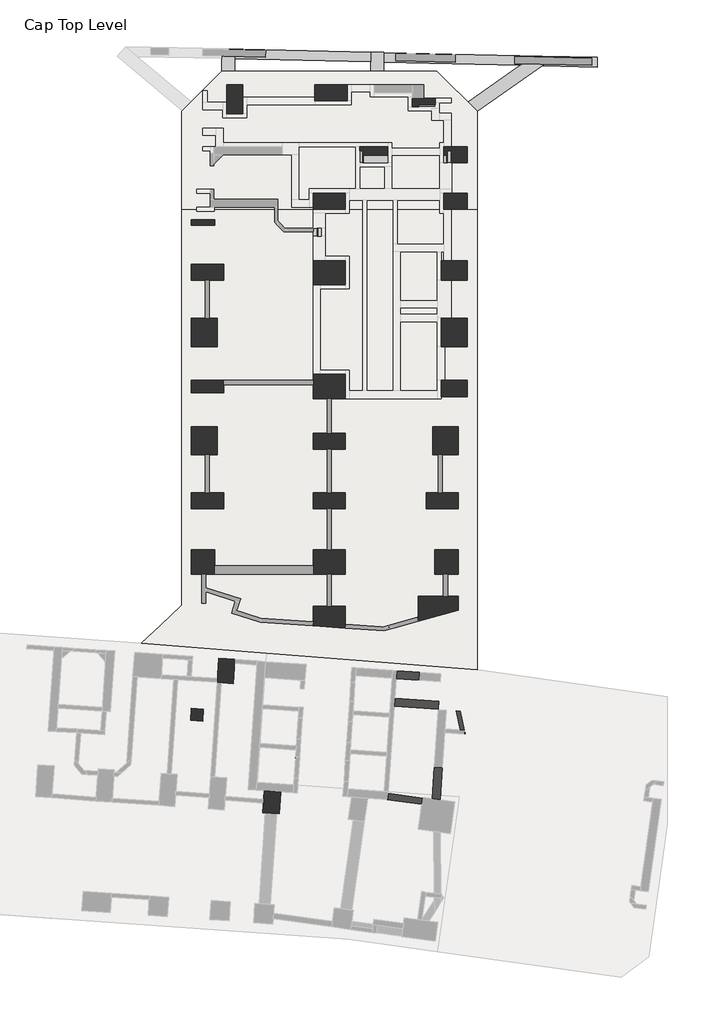
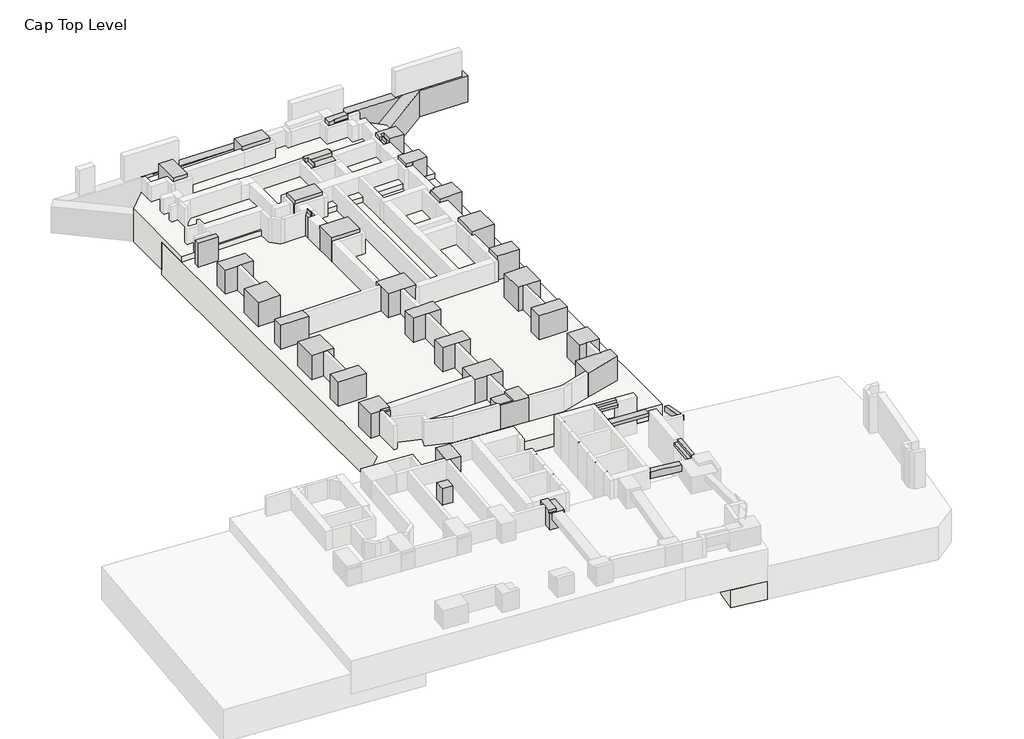
# One storey, part 5 of 5: 31 columns, 11 beams, 10 proxies, 3 slabs.
"""IFC4 building model written with IfcOpenShell, lengths in millimetres."""

from ifc_helpers import new_model, si_unit, frame, origin, place, context, project, spatial, polyline, outline, extrude, faceted_brep, element, save

model = new_model("IFC4")

# Units and contexts
model_context = context("Model", 3, world=origin())
ifc_project = project(units=[si_unit("LENGTHUNIT", "METRE", prefix="MILLI")], contexts=[model_context])

# Site, building, storey
site = spatial("IfcSite", under=ifc_project)
building = spatial("IfcBuilding", under=site)
storey = spatial("IfcBuildingStorey", under=building, Name="Cap Top Level", Elevation=2650.0)

# Beams
placement = place(None, origin())
element("IfcBeam", 1, ObjectType="HD_Concrete - Rectangular Beam V04 TOS83 : B2000X600", at=placement, inside=storey, context=model_context, shape_type="SweptSolid", body=[
    extrude(outline(polyline([(-60567.6663142, 110191.8030919), (-60567.6663142, 110764.5283087), (-61363.8639346, 110783.7826847), (-61363.2715425, 110809.9607281), (-52152.6663145, 110601.5307133), (-52152.6663144, 110001.3771067), (-60567.6663142, 110191.8030919)])), frame((0.0, 0.0, 150.0), z_axis=(0.0, 0.0, 1.0), x_axis=(1.0, 0.0, 0.0)), (0.0, 0.0, 1.0), 2000.0),
])
element("IfcBeam", 2, ObjectType="HD_Concrete - Rectangular Beam V04 TOS83 : B2000X600", at=placement, inside=storey, context=model_context, shape_type="SweptSolid", body=[
    extrude(outline(polyline([(-51352.6663145, 110573.6466209), (-41541.9161015, 110351.6357148), (-41542.9837453, 110304.4561083), (-42142.7147975, 110318.9593508), (-42908.9774463, 109782.4178186), (-51352.6663144, 109973.4930143), (-51352.6663145, 110573.6466209)])), frame((0.0, 0.0, 150.0), z_axis=(0.0, 0.0, 1.0), x_axis=(1.0, 0.0, 0.0)), (0.0, 0.0, 1.0), 2000.0),
])
element("IfcBeam", 3, ObjectType="HD_Concrete - Rectangular Beam V04 TOS83 : B2000X600", at=placement, inside=storey, context=model_context, shape_type="Brep", body=[
    faceted_brep([(-38146.0202795, 109674.6351911, 2150.0), (-38146.0202795, 109674.6351911, 150.0), (-38132.4461443, 110274.4816238, 150.0), (-38132.4461443, 110274.4816238, 2150.0), (-41541.9161015, 110351.6357148, 2150.0), (-41542.9837453, 110304.4561083, 2150.0), (-40794.5175095, 110286.3560161, 2150.0), (-41555.4504752, 109753.5463588, 2150.0), (-41557.8825326, 109751.8434181, 2150.0), (-41541.9161015, 110351.6357148, 150.0), (-41557.8825326, 109751.8434181, 150.0), (-41555.4504752, 109753.5463588, 150.0), (-40794.5175095, 110286.3560161, 150.0), (-41542.9837453, 110304.4561083, 150.0)], [[[0, 1, 2, 3]], [[0, 3, 4, 5, 6, 7, 8]], [[3, 2, 9, 4]], [[2, 1, 10, 11, 12, 13, 9]], [[1, 0, 8, 10]], [[6, 12, 11, 10, 8, 7]], [[12, 6, 5, 13]], [[5, 4, 9, 13]]]),
])
element("IfcBeam", 4, ObjectType="HD_Concrete - Rectangular Beam V04 TOS83 : B2000X800", at=placement, inside=storey, context=model_context, shape_type="Brep", body=[
    faceted_brep([(-51352.6663145, 110583.4272328, 2150.0), (-52152.6663145, 110601.5307133, 2150.0), (-52152.6663144, 110001.3771067, 2150.0), (-52152.6663144, 109430.2794588, 2150.0), (-51352.6663144, 109430.2794584, 2150.0), (-51352.6663144, 109973.4930143, 2150.0), (-51352.6663145, 110573.6466209, 2150.0), (-51352.6663145, 110583.4272328, 150.0), (-51352.6663144, 109430.2794584, 150.0), (-51352.6663144, 109973.4930143, 150.0), (-51352.6663145, 110573.6466209, 150.0), (-52152.6663145, 110601.5307133, 150.0), (-52152.6663144, 109430.2794588, 150.0), (-52152.6663144, 110001.3771067, 150.0)], [[[0, 1, 2, 3, 4, 5, 6]], [[7, 0, 6, 5, 4, 8, 9, 10]], [[11, 7, 10, 9, 8, 12, 13]], [[1, 11, 13, 12, 3, 2]], [[1, 0, 7, 11]], [[4, 3, 12, 8]]]),
])
element("IfcBeam", 5, ObjectType="HD_Concrete - Rectangular Beam V04 TOS83 : B2000X800", at=placement, inside=storey, context=model_context, shape_type="Brep", body=[
    faceted_brep([(-61367.6663141, 108875.2799235, 2150.0), (-61367.6663141, 108875.2799235, 150.0), (-60567.6663141, 108875.2799236, 150.0), (-60567.6663141, 108875.2799236, 2150.0), (-60567.6663142, 110191.8030919, 2150.0), (-60567.6663142, 110764.5283087, 2150.0), (-60961.4878678, 110774.0520602, 2150.0), (-61363.8639346, 110783.7826847, 2150.0), (-61367.6663142, 110783.8746373, 2150.0), (-61367.6663142, 110209.9989952, 2150.0), (-60567.6663142, 110191.8030919, 150.0), (-60567.6663142, 110764.5283087, 150.0), (-61367.6663142, 110209.9989952, 150.0), (-61367.6663142, 110783.8746373, 150.0), (-61363.8639346, 110783.7826847, 150.0), (-60961.4878678, 110774.0520602, 150.0)], [[[0, 1, 2, 3]], [[0, 3, 4, 5, 6, 7, 8, 9]], [[3, 2, 10, 11, 5, 4]], [[2, 1, 12, 13, 14, 15, 11, 10]], [[1, 0, 9, 8, 13, 12]], [[8, 7, 6, 5, 11, 15, 14, 13]]]),
])
element("IfcBeam", 6, ObjectType="HD_Concrete - Rectangular Beam V04 TOS83 : B2000X800", at=placement, inside=storey, context=model_context, shape_type="Brep", body=[
    faceted_brep([(-40794.5175095, 110286.3560161, 2150.0), (-41542.9837453, 110304.4561083, 2150.0), (-42142.7147975, 110318.9593508, 2150.0), (-42908.9774463, 109782.4178186, 2150.0), (-46162.0114617, 107504.6246135, 2150.0), (-45587.5993074, 106930.2124593, 2150.0), (-41557.8825326, 109751.8434181, 2150.0), (-40794.5175095, 110286.3560161, 150.0), (-45587.5993074, 106930.2124593, 150.0), (-41557.8825326, 109751.8434181, 150.0), (-42142.7147975, 110318.9593508, 150.0), (-41542.9837453, 110304.4561083, 150.0), (-46162.0114617, 107504.6246135, 150.0), (-42908.9774463, 109782.4178186, 150.0)], [[[0, 1, 2, 3, 4, 5, 6]], [[7, 0, 6, 5, 8, 9]], [[10, 11, 7, 9, 8, 12, 13]], [[2, 10, 13, 12, 4, 3]], [[2, 1, 0, 7, 11, 10]], [[5, 4, 12, 8]]]),
])
element("IfcBeam", 7, ObjectType="HD_Concrete - Rectangular Beam V04 TOS83 : B400X250", at=placement, inside=storey, context=model_context, shape_type="Brep", body=[
    faceted_brep([(-46632.1912853, 68663.7235065, 4090.0), (-46372.4390806, 68645.559862, 4090.0), (-46626.3239058, 69816.1214112, 4090.0), (-46886.0761105, 69834.2850552, 4090.0), (-46626.3239058, 69816.1214112, 3690.0), (-46372.4390806, 68645.559862, 3690.0), (-46632.1912853, 68663.7235065, 3690.0), (-46886.0761105, 69834.2850552, 3690.0)], [[[0, 1, 2, 3]], [[4, 2, 1, 5]], [[5, 6, 7, 4]], [[6, 0, 3, 7]], [[1, 0, 6, 5]], [[3, 2, 4, 7]]]),
    faceted_brep([(-46365.7039751, 68415.3822949, 4090.0), (-46355.174554, 68565.960024, 4090.0), (-46355.174554, 68565.960024, 3690.0), (-46365.7039751, 68415.3822949, 3690.0), (-46324.4559154, 68424.3286476, 3690.0), (-46324.4559154, 68424.3286476, 3890.0), (-46338.1489452, 68421.3587461, 3890.0), (-46338.1489452, 68421.3587461, 4090.0), (-46332.5116298, 68461.4703298, 3890.0), (-46332.5116298, 68461.4703298, 4090.0)], [[[0, 1, 2, 3]], [[3, 4, 5, 6, 7, 0]], [[8, 6, 5]], [[6, 8, 9, 7]], [[1, 0, 7, 9]], [[4, 2, 1, 9, 8, 5]], [[3, 2, 4]]]),
])
element("IfcBeam", 8, ObjectType="HD_Concrete - Rectangular Beam V04 TOS83 : B400X500", at=placement, inside=storey, context=model_context, shape_type="Brep", body=[
    faceted_brep([(-50565.3106934, 72321.9952711, 4090.0), (-50582.7498118, 72072.6042585, 4090.0), (-49136.2820541, 71971.4556603, 4090.0), (-49118.8429353, 72220.8466728, 4090.0), (-50600.1889302, 71823.2132459, 3890.0), (-50600.1889302, 71823.2132459, 3690.0), (-49153.7211729, 71722.0646477, 3690.0), (-49153.7211729, 71722.0646477, 3890.0), (-50565.3106934, 72321.9952711, 3690.0), (-49118.8429353, 72220.8466728, 3690.0), (-50582.7498118, 72072.6042585, 3890.0), (-49136.2820541, 71971.4556603, 3890.0)], [[[0, 1, 2, 3]], [[4, 5, 6, 7]], [[5, 8, 9, 6]], [[8, 0, 3, 9]], [[8, 5, 4, 10, 1, 0]], [[10, 4, 7, 11]], [[1, 10, 11, 2]], [[3, 2, 11, 7, 6, 9]]]),
])
element("IfcBeam", 9, ObjectType="HD_Concrete - Rectangular Beam V04 TOS83 : B400X500", at=placement, inside=storey, context=model_context, shape_type="SweptSolid", body=[
    extrude(outline(polyline([(-50719.4724999, 70117.3787222), (-50684.5942631, 70616.1607473), (-47951.2689894, 70425.024776), (-47986.147227, 69926.2427509), (-50719.4724999, 70117.3787222)])), frame((0.0, 0.0, 3690.0), z_axis=(0.0, 0.0, 1.0), x_axis=(1.0, 0.0, 0.0)), (0.0, 0.0, 1.0), 200.0),
])
element("IfcBeam", 10, ObjectType="HD_Concrete - Rectangular Beam V04 TOS83 : B400X500", at=placement, inside=storey, context=model_context, shape_type="Brep", body=[
    faceted_brep([(-47875.4903609, 64340.9499741, 4090.0), (-47736.7443659, 66325.0764163, 4090.0), (-47986.1353785, 66342.5155348, 4090.0), (-48123.661891, 64375.828208, 4090.0), (-48235.526391, 66359.9546533, 3690.0), (-48371.8334211, 64410.706442, 3690.0), (-48371.8334211, 64410.706442, 3890.0), (-48235.526391, 66359.9546533, 3890.0), (-47875.4903609, 64340.9499741, 3690.0), (-47736.7443659, 66325.0764163, 3690.0), (-48123.661891, 64375.828208, 3890.0), (-47986.1353785, 66342.5155348, 3890.0)], [[[0, 1, 2, 3]], [[4, 5, 6, 7]], [[8, 5, 4, 9]], [[0, 8, 9, 1]], [[5, 8, 0, 3, 10, 6]], [[9, 4, 7, 11, 2, 1]], [[10, 11, 7, 6]], [[11, 10, 3, 2]]]),
])
element("IfcBeam", 11, ObjectType="HD_Concrete - Rectangular Beam V04 TOS83 : B700X400", at=placement, inside=storey, context=model_context, shape_type="Brep", body=[
    faceted_brep([(-48942.1866057, 64442.8934969, 3390.0), (-51095.1131188, 64745.4675856, 3390.0), (-51095.1131188, 64745.4675856, 3890.0), (-48942.1866057, 64442.8934969, 3890.0), (-51123.0136894, 64346.4708368, 3390.0), (-48997.855846, 64046.7862694, 3390.0), (-49542.5032876, 64123.3314753, 3390.0), (-50235.6909358, 64220.7526458, 3390.0), (-51137.3608498, 64347.4740879, 3390.0), (-48997.855846, 64046.7862694, 3890.0), (-49542.5032876, 64123.3314753, 3890.0), (-50235.6909358, 64220.7526458, 3890.0), (-51137.3608498, 64347.4740879, 3890.0), (-51123.0136894, 64346.4708368, 3890.0)], [[[0, 1, 2, 3]], [[4, 1, 0, 5, 6, 7, 8]], [[8, 7, 6, 5, 9, 10, 11, 12]], [[5, 0, 3, 9]], [[1, 4, 13, 2]], [[4, 8, 12, 13]], [[3, 2, 13, 12, 11, 10, 9]]]),
])

# Proxies
element("IfcBuildingElementProxy", 12, Name="HD_Concrete-Trapezoid Wall TOS51v0", ObjectType="HD_Concrete-Trapezoid Wall TOS51v0", at=placement, inside=storey, context=model_context, shape_type="SweptSolid", body=[
    extrude(outline(polyline([(-56453.5095695, 69327.9287994), (-56653.0223796, 69341.8800937), (-56649.534556, 69391.7582963), (-56400.1435434, 69374.3191783), (-56453.5095695, 69327.9287994)])), frame((0.0, 0.0, 1300.0), z_axis=(0.0, 0.0, 1.0), x_axis=(1.0, 0.0, 0.0)), (0.0, 0.0, 1.0), 2790.0),
])
element("IfcBuildingElementProxy", 13, Name="HD_Concrete-Trapezoid Wall TOS51v0", ObjectType="HD_Concrete-Trapezoid Wall TOS51v0", at=placement, inside=storey, context=model_context, shape_type="SweptSolid", body=[
    extrude(outline(polyline([(-56621.9677423, 66918.8112811), (-56821.4805524, 66932.7625755), (-56817.9927288, 66982.640778), (-56568.6017162, 66965.20166), (-56621.9677423, 66918.8112811)])), frame((0.0, 0.0, 1300.0), z_axis=(0.0, 0.0, 1.0), x_axis=(1.0, 0.0, 0.0)), (0.0, 0.0, 1.0), 2790.0),
])
element("IfcBuildingElementProxy", 14, Name="HD_Concrete-Trapezoid Wall TOS51v0", ObjectType="HD_Concrete-Trapezoid Wall TOS51v0", at=placement, inside=storey, context=model_context, shape_type="SweptSolid", body=[
    extrude(outline(polyline([(-56705.6792184, 65721.7345424), (-56659.2888396, 65668.3685162), (-56908.6798522, 65685.8076348), (-56905.1920284, 65735.6858373), (-56705.6792184, 65721.7345424)])), frame((0.0, 0.0, 1300.0), z_axis=(0.0, 0.0, 1.0), x_axis=(1.0, 0.0, 0.0)), (0.0, 0.0, 1.0), 2790.0),
])
element("IfcBuildingElementProxy", 15, Name="HD_Concrete-Trapezoid Wall TOS51v0", ObjectType="HD_Concrete-Trapezoid Wall TOS51v0", at=placement, inside=storey, context=model_context, shape_type="SweptSolid", body=[
    extrude(outline(polyline([(-56537.2117723, 68130.8781288), (-56490.8213936, 68077.5121025), (-56740.2124061, 68094.9512212), (-56736.7245824, 68144.8294237), (-56537.2117723, 68130.8781288)])), frame((0.0, 0.0, 1300.0), z_axis=(0.0, 0.0, 1.0), x_axis=(1.0, 0.0, 0.0)), (0.0, 0.0, 1.0), 2790.0),
])
element("IfcBuildingElementProxy", 16, Name="HD_Concrete-Trapezoid Wall TOS51v0", ObjectType="HD_Concrete-Trapezoid Wall TOS51v0", at=placement, inside=storey, context=model_context, shape_type="SweptSolid", body=[
    extrude(outline(polyline([(-53510.6956226, 69122.147202), (-53557.0860013, 69175.5132283), (-53307.6949888, 69158.0741094), (-53311.1828126, 69108.1959069), (-53510.6956226, 69122.147202)])), frame((0.0, 0.0, 1300.0), z_axis=(0.0, 0.0, 1.0), x_axis=(1.0, 0.0, 0.0)), (0.0, 0.0, 1.0), 2790.0),
])
element("IfcBuildingElementProxy", 17, Name="HD_Concrete-Trapezoid Wall TOS51v0", ObjectType="HD_Concrete-Trapezoid Wall TOS51v0", at=placement, inside=storey, context=model_context, shape_type="SweptSolid", body=[
    extrude(outline(polyline([(-53479.6484186, 66699.0789084), (-53679.1612286, 66713.0302035), (-53725.5516073, 66766.3962298), (-53476.1605948, 66748.9571109), (-53479.6484186, 66699.0789084)])), frame((0.0, 0.0, 1300.0), z_axis=(0.0, 0.0, 1.0), x_axis=(1.0, 0.0, 0.0)), (0.0, 0.0, 1.0), 2790.0),
])
element("IfcBuildingElementProxy", 18, Name="HD_Concrete-Trapezoid Wall TOS51v0", ObjectType="HD_Concrete-Trapezoid Wall TOS51v0", at=placement, inside=storey, context=model_context, shape_type="SweptSolid", body=[
    extrude(outline(polyline([(-53762.8653086, 65515.9529476), (-53563.3524985, 65502.0016531), (-53566.8403222, 65452.1234505), (-53816.2313348, 65469.5625688), (-53762.8653086, 65515.9529476)])), frame((0.0, 0.0, 1300.0), z_axis=(0.0, 0.0, 1.0), x_axis=(1.0, 0.0, 0.0)), (0.0, 0.0, 1.0), 2790.0),
])
element("IfcBuildingElementProxy", 19, Name="HD_Concrete-Trapezoid Wall TOS51v0", ObjectType="HD_Concrete-Trapezoid Wall TOS51v0", at=placement, inside=storey, context=model_context, shape_type="SweptSolid", body=[
    extrude(outline(polyline([(-53594.4052576, 67925.0970511), (-53394.8924475, 67911.1457565), (-53398.3802712, 67861.267554), (-53647.7712837, 67878.7066722), (-53594.4052576, 67925.0970511)])), frame((0.0, 0.0, 1300.0), z_axis=(0.0, 0.0, 1.0), x_axis=(1.0, 0.0, 0.0)), (0.0, 0.0, 1.0), 2790.0),
])
element("IfcBuildingElementProxy", 20, Name="HD_Concrete-Trapezoid Wall TOS51v0", ObjectType="HD_Concrete-Trapezoid Wall TOS51v0", at=placement, inside=storey, context=model_context, shape_type="SweptSolid", body=[
    extrude(outline(polyline([(-53342.4060163, 71528.7837217), (-53388.796395, 71582.149748), (-53139.4053825, 71564.7106291), (-53142.8932063, 71514.8324266), (-53342.4060163, 71528.7837217)])), frame((0.0, 0.0, 1300.0), z_axis=(0.0, 0.0, 1.0), x_axis=(1.0, 0.0, 0.0)), (0.0, 0.0, 1.0), 2790.0),
])
element("IfcBuildingElementProxy", 21, Name="HD_Concrete-Trapezoid Wall TOS51v0", ObjectType="HD_Concrete-Trapezoid Wall TOS51v0", at=placement, inside=storey, context=model_context, shape_type="SweptSolid", body=[
    extrude(outline(polyline([(-53417.2182522, 70458.8961736), (-53217.7054421, 70444.9448791), (-53221.1932658, 70395.0666765), (-53470.5842783, 70412.5057947), (-53417.2182522, 70458.8961736)])), frame((0.0, 0.0, 1300.0), z_axis=(0.0, 0.0, 1.0), x_axis=(1.0, 0.0, 0.0)), (0.0, 0.0, 1.0), 2790.0),
])

# Columns
element("IfcColumn", 22, ObjectType="C1000X1350", at=placement, inside=storey, context=model_context, shape_type="Brep", body=[
    faceted_brep([(-57741.8511674, 64809.3050402, 2650.0), (-57836.0224055, 63462.5935722, 2650.0), (-58833.5864558, 63532.3500449, 2650.0), (-58739.4152177, 64879.0615129, 2650.0), (-57741.8511674, 64809.3050402, 3890.0), (-57836.0224055, 63462.5935722, 3890.0), (-58833.5864558, 63532.3500449, 3890.0), (-58824.8734619, 63656.9516656, 3890.0), (-58824.8734619, 63656.9516656, 4090.0), (-58739.4152177, 64879.0615129, 4090.0), (-58240.6331925, 64844.1832765, 4090.0), (-58240.6331925, 64844.1832765, 3890.0), (-58326.0914367, 63622.0734288, 4090.0), (-58326.0914367, 63622.0734288, 3890.0)], [[[0, 1, 2, 3]], [[1, 0, 4, 5]], [[2, 1, 5, 6]], [[3, 2, 6, 7, 8, 9]], [[0, 3, 9, 10, 11, 4]], [[10, 9, 8, 12]], [[11, 13, 7, 6, 5, 4]], [[13, 12, 8, 7]], [[12, 13, 11, 10]]]),
])
element("IfcColumn", 23, ObjectType="C1000X1500", at=placement, inside=storey, context=model_context, shape_type="SweptSolid", body=[
    extrude(outline(polyline([(-60565.8902872, 73021.304066), (-60670.5249983, 71524.9579907), (-61668.0890486, 71594.7144648), (-61563.4543374, 73091.0605401), (-60565.8902872, 73021.304066)])), frame((0.0, 0.0, 2650.0), z_axis=(0.0, 0.0, 1.0), x_axis=(1.0, 0.0, 0.0)), (0.0, 0.0, 1.0), 1440.0),
])
element("IfcColumn", 24, ObjectType="C1000X1800", at=placement, inside=storey, context=model_context, shape_type="Brep", body=[
    faceted_brep([(-60082.6663368, 108595.2799226, 2650.0), (-60082.6663366, 106795.2799226, 2650.0), (-61082.6663366, 106795.2799224, 2650.0), (-61082.6663367, 107495.279922, 2650.0), (-61082.6663368, 108595.2799224, 2650.0), (-60082.6663368, 108595.2799226, 4090.0), (-60082.6663366, 106795.2799226, 4090.0), (-61082.6663366, 106795.2799224, 4090.0), (-61082.6663368, 108595.2799224, 4090.0)], [[[0, 1, 2, 3, 4]], [[5, 6, 1, 0]], [[6, 7, 2, 1]], [[7, 8, 4, 3, 2]], [[8, 5, 0, 4]], [[5, 8, 7, 6]]]),
])
element("IfcColumn", 25, ObjectType="C1430X500", at=placement, inside=storey, context=model_context, shape_type="Brep", body=[
    faceted_brep([(-48172.8003139, 107730.2799205, 2650.0), (-48172.8003139, 107230.2799205, 2650.0), (-49602.8003139, 107230.2799204, 2650.0), (-49602.8003139, 107730.2799204, 2650.0), (-48172.8003139, 107730.2799205, 4090.0), (-48172.8003139, 107332.1886207, 4090.0), (-48172.8003139, 107332.1886207, 3815.0), (-48172.8003139, 107230.2799205, 3815.0), (-49187.5323165, 107230.2799204, 3815.0), (-49187.5323165, 107230.2799204, 4090.0), (-49602.8003139, 107230.2799204, 4090.0), (-49602.8003139, 107730.2799204, 4090.0), (-49187.5323165, 107332.1885319, 4090.0), (-49187.5323165, 107332.1885319, 3815.0)], [[[0, 1, 2, 3]], [[1, 0, 4, 5, 6, 7]], [[2, 1, 7, 8, 9, 10]], [[3, 2, 10, 11]], [[0, 3, 11, 4]], [[11, 10, 9, 12, 5, 4]], [[12, 13, 6, 5]], [[6, 13, 8, 7]], [[13, 12, 9, 8]]]),
])
element("IfcColumn", 26, ObjectType="C1450X1000", at=placement, inside=storey, context=model_context, shape_type="Brep", body=[
    faceted_brep([(-46187.6663417, 101880.2799211, 2650.0), (-46187.6663416, 100880.2799211, 2650.0), (-47637.6663416, 100880.279921, 2650.0), (-47637.6663417, 101880.279921, 2650.0), (-46187.6663417, 101880.2799211, 4090.0), (-46187.6663416, 100880.2799211, 4090.0), (-47187.5323437, 100880.279921, 4090.0), (-47187.5323437, 100880.279921, 3815.0), (-47637.6663416, 100880.279921, 3815.0), (-47637.6663416, 100882.1889219, 3815.0), (-47637.6663416, 100882.1889219, 4090.0), (-47637.6663417, 101880.279921, 4090.0), (-47187.5323437, 100882.1889254, 4090.0), (-47187.5323437, 100882.1889254, 3815.0)], [[[0, 1, 2, 3]], [[1, 0, 4, 5]], [[2, 1, 5, 6, 7, 8]], [[3, 2, 8, 9, 10, 11]], [[0, 3, 11, 4]], [[5, 4, 11, 10, 12, 6]], [[12, 13, 7, 6]], [[7, 13, 9, 8]], [[13, 12, 10, 9]]]),
])
element("IfcColumn", 27, ObjectType="C1450X1000", at=placement, inside=storey, context=model_context, shape_type="Brep", body=[
    faceted_brep([(-46187.6663417, 104745.2799249, 2650.0), (-46187.6663416, 103745.2799249, 2650.0), (-47637.6663416, 103745.2799248, 2650.0), (-47637.6663417, 104745.2799248, 2650.0), (-47187.6663993, 104745.2799248, 2650.0), (-46187.6663417, 104745.2799249, 4090.0), (-46187.6663416, 103745.2799249, 4090.0), (-47187.5323721, 103745.2799248, 4090.0), (-47187.5323721, 103745.2799248, 3815.0), (-47437.5323721, 103745.2799248, 3815.0), (-47437.5323721, 103745.2799248, 4090.0), (-47462.5323721, 103745.2799248, 4090.0), (-47462.5323721, 103745.2799248, 3840.0), (-47637.6663416, 103745.2799248, 3840.0), (-47637.6663416, 104222.1889168, 3840.0), (-47637.6663416, 104222.1889168, 4090.0), (-47637.6663417, 104745.2799248, 4090.0), (-47462.5323721, 104222.1889168, 4090.0), (-47437.5323722, 104495.2799238, 4090.0), (-47187.5323722, 104495.2799239, 4090.0), (-47462.5323721, 104222.1889168, 3840.0), (-47187.5323722, 104495.2799239, 3815.0), (-47437.5323722, 104495.2799238, 3815.0)], [[[0, 1, 2, 3, 4]], [[1, 0, 5, 6]], [[2, 1, 6, 7, 8, 9, 10, 11, 12, 13]], [[3, 2, 13, 14, 15, 16]], [[0, 4, 3, 16, 5]], [[6, 5, 16, 15, 17, 11, 10, 18, 19, 7]], [[20, 14, 13, 12]], [[17, 20, 12, 11]], [[20, 17, 15, 14]], [[19, 21, 8, 7]], [[22, 18, 10, 9]], [[21, 22, 9, 8]], [[21, 19, 18, 22]]]),
])
element("IfcColumn", 28, ObjectType="C1450X1500", at=placement, inside=storey, context=model_context, shape_type="Brep", body=[
    faceted_brep([(-61817.6663359, 79805.2798779, 2250.0), (-61817.6663358, 78305.2798779, 2250.0), (-63267.6663358, 78305.2798777, 2250.0), (-63267.6663359, 79805.2798777, 2250.0), (-61817.6663359, 79805.2798779, 4090.0), (-61817.6663358, 78432.1889232, 4090.0), (-61817.6663358, 78432.1889232, 3890.0), (-61817.6663358, 78305.2798779, 3890.0), (-62486.8221953, 78305.2798778, 3890.0), (-62486.8221953, 78305.2798778, 4090.0), (-63267.6663358, 78305.2798777, 4090.0), (-63267.6663359, 79805.2798777, 4090.0), (-62491.934718, 78432.1889231, 4090.0), (-62491.934718, 78432.1889231, 3890.0)], [[[0, 1, 2, 3]], [[1, 0, 4, 5, 6, 7]], [[2, 1, 7, 8, 9, 10]], [[3, 2, 10, 11]], [[0, 3, 11, 4]], [[11, 10, 9, 12, 5, 4]], [[6, 13, 8, 7]], [[13, 12, 9, 8]], [[12, 13, 6, 5]]]),
])
element("IfcColumn", 29, ObjectType="C1450X1500", at=placement, inside=storey, context=model_context, shape_type="SweptSolid", body=[
    extrude(outline(polyline([(-46737.6663398, 79805.2799201), (-46737.6663397, 78305.2799201), (-48187.6663397, 78305.27992), (-48187.6663398, 79805.27992), (-46737.6663398, 79805.2799201)])), frame((0.0, 0.0, 2250.0), z_axis=(0.0, 0.0, 1.0), x_axis=(1.0, 0.0, 0.0)), (0.0, 0.0, 1.0), 1840.0),
])
element("IfcColumn", 30, ObjectType="C1450X350", at=placement, inside=storey, context=model_context, shape_type="SweptSolid", body=[
    extrude(outline(polyline([(-61817.6663319, 100225.2799184), (-61817.6663319, 99875.2799184), (-63267.6663319, 99875.2799183), (-63267.6663319, 100225.2799183), (-61817.6663319, 100225.2799184)])), frame((0.0, 0.0, 2250.0), z_axis=(0.0, 0.0, 1.0), x_axis=(1.0, 0.0, 0.0)), (0.0, 0.0, 1.0), 1840.0),
])
element("IfcColumn", 31, ObjectType="C1600X1000", at=placement, inside=storey, context=model_context, shape_type="SweptSolid", body=[
    extrude(outline(polyline([(-46187.6663085, 90280.2794447), (-46187.6663084, 89280.2794447), (-47787.6663084, 89280.2794445), (-47787.6663085, 90280.2794445), (-46187.6663085, 90280.2794447)])), frame((0.0, 0.0, 2250.0), z_axis=(0.0, 0.0, 1.0), x_axis=(1.0, 0.0, 0.0)), (0.0, 0.0, 1.0), 1840.0),
])
element("IfcColumn", 32, ObjectType="C1600X1225", at=placement, inside=storey, context=model_context, shape_type="Brep", body=[
    faceted_brep([(-46187.6663084, 97705.279444, 2250.0), (-46187.6663083, 96480.279444, 2250.0), (-47787.6663083, 96480.2794438, 2250.0), (-47787.6663084, 97705.2794438, 2250.0), (-46187.6663084, 97705.279444, 4090.0), (-46187.6663083, 96480.279444, 4090.0), (-47787.6663083, 96480.2794438, 4090.0), (-47787.6663084, 97607.1889177, 4090.0), (-47787.6663084, 97607.1889177, 3890.0), (-47787.6663084, 97705.2794438, 3890.0), (-47537.5323196, 97705.2794438, 3890.0), (-47537.5323196, 97705.2794438, 4090.0), (-47537.5323188, 97607.1889176, 4090.0), (-47537.5323188, 97607.1889176, 3890.0)], [[[0, 1, 2, 3]], [[1, 0, 4, 5]], [[2, 1, 5, 6]], [[3, 2, 6, 7, 8, 9]], [[0, 3, 9, 10, 11, 4]], [[5, 4, 11, 12, 7, 6]], [[8, 13, 10, 9]], [[13, 12, 11, 10]], [[12, 13, 8, 7]]]),
])
element("IfcColumn", 33, ObjectType="C1600X1750", at=placement, inside=storey, context=model_context, shape_type="SweptSolid", body=[
    extrude(outline(polyline([(-61667.6663317, 94130.2799198), (-61667.6663315, 92380.2799198), (-63267.6663315, 92380.2799197), (-63267.6663317, 94130.2799197), (-61667.6663317, 94130.2799198)])), frame((0.0, 0.0, 2250.0), z_axis=(0.0, 0.0, 1.0), x_axis=(1.0, 0.0, 0.0)), (0.0, 0.0, 1.0), 1840.0),
])
element("IfcColumn", 34, ObjectType="C1600X1750", at=placement, inside=storey, context=model_context, shape_type="SweptSolid", body=[
    extrude(outline(polyline([(-61667.6663309, 87430.2799198), (-61667.6663308, 85680.2799198), (-63267.6663308, 85680.2799197), (-63267.6663309, 87430.2799197), (-61667.6663309, 87430.2799198)])), frame((0.0, 0.0, 2250.0), z_axis=(0.0, 0.0, 1.0), x_axis=(1.0, 0.0, 0.0)), (0.0, 0.0, 1.0), 1840.0),
])
element("IfcColumn", 35, ObjectType="C1600X1750", at=placement, inside=storey, context=model_context, shape_type="SweptSolid", body=[
    extrude(outline(polyline([(-46737.66633, 87430.2799201), (-46737.6663299, 85680.2799201), (-48337.6663299, 85680.27992), (-48337.66633, 87430.27992), (-46737.66633, 87430.2799201)])), frame((0.0, 0.0, 2250.0), z_axis=(0.0, 0.0, 1.0), x_axis=(1.0, 0.0, 0.0)), (0.0, 0.0, 1.0), 1840.0),
])
element("IfcColumn", 36, ObjectType="C1600X1750", at=placement, inside=storey, context=model_context, shape_type="SweptSolid", body=[
    extrude(outline(polyline([(-46187.6663414, 94130.2799216), (-46187.6663413, 92380.2799216), (-47787.6663413, 92380.2799215), (-47787.6663414, 94130.2799215), (-46187.6663414, 94130.2799216)])), frame((0.0, 0.0, 2250.0), z_axis=(0.0, 0.0, 1.0), x_axis=(1.0, 0.0, 0.0)), (0.0, 0.0, 1.0), 1840.0),
])
element("IfcColumn", 37, ObjectType="C1750X1000", at=placement, inside=storey, context=model_context, shape_type="Brep", body=[
    faceted_brep([(-51102.6663134, 104745.2803962, 2650.0), (-51102.6663133, 103745.2803962, 2650.0), (-52852.6663133, 103745.280396, 2650.0), (-52852.6663134, 104745.280396, 2650.0), (-51102.6663134, 104745.2803962, 4090.0), (-51102.6663134, 104222.1889165, 4090.0), (-51102.6663134, 104222.1889165, 3840.0), (-51102.6663133, 103745.2803962, 3840.0), (-52627.5323148, 103745.280396, 3840.0), (-52627.5323148, 103745.280396, 4090.0), (-52652.6663252, 103745.280396, 4090.0), (-52652.6663252, 103745.280396, 3815.0), (-52852.6663133, 103745.280396, 3815.0), (-52852.6663134, 104495.2799238, 3815.0), (-52852.6663134, 104495.2799238, 4090.0), (-52852.6663134, 104745.280396, 4090.0), (-52652.6663253, 104495.2799238, 4090.0), (-52627.5323148, 104222.1889164, 4090.0), (-52627.5323148, 104222.1889164, 3840.0), (-52652.6663253, 104495.2799238, 3815.0)], [[[0, 1, 2, 3]], [[1, 0, 4, 5, 6, 7]], [[2, 1, 7, 8, 9, 10, 11, 12]], [[3, 2, 12, 13, 14, 15]], [[0, 3, 15, 4]], [[4, 15, 14, 16, 10, 9, 17, 5]], [[18, 8, 7, 6]], [[18, 17, 9, 8]], [[16, 19, 11, 10]], [[19, 13, 12, 11]], [[17, 18, 6, 5]], [[19, 16, 14, 13]]]),
])
element("IfcColumn", 38, ObjectType="C2000X1000", at=placement, inside=storey, context=model_context, shape_type="SweptSolid", body=[
    extrude(outline(polyline([(-53627.6663309, 108595.2799235), (-53627.6663309, 107595.2799235), (-55627.6663309, 107595.2799233), (-55627.6663309, 108595.2799233), (-53627.6663309, 108595.2799235)])), frame((0.0, 0.0, 2650.0), z_axis=(0.0, 0.0, 1.0), x_axis=(1.0, 0.0, 0.0)), (0.0, 0.0, 1.0), 1440.0),
])
element("IfcColumn", 39, ObjectType="C2000X1000", at=placement, inside=storey, context=model_context, shape_type="SweptSolid", body=[
    extrude(outline(polyline([(-61267.666333, 97480.2799194), (-61267.6663329, 96480.2799194), (-63267.6663329, 96480.2799192), (-63267.666333, 97480.2799192), (-61267.666333, 97480.2799194)])), frame((0.0, 0.0, 2250.0), z_axis=(0.0, 0.0, 1.0), x_axis=(1.0, 0.0, 0.0)), (0.0, 0.0, 1.0), 1840.0),
])
element("IfcColumn", 40, ObjectType="C2000X1000", at=placement, inside=storey, context=model_context, shape_type="SweptSolid", body=[
    extrude(outline(polyline([(-61267.6663102, 83330.2794433), (-61267.6663101, 82330.2794433), (-63267.6663101, 82330.2794431), (-63267.6663102, 83330.2794431), (-61267.6663102, 83330.2794433)])), frame((0.0, 0.0, 2250.0), z_axis=(0.0, 0.0, 1.0), x_axis=(1.0, 0.0, 0.0)), (0.0, 0.0, 1.0), 1840.0),
])
element("IfcColumn", 41, ObjectType="C2000X1000", at=placement, inside=storey, context=model_context, shape_type="SweptSolid", body=[
    extrude(outline(polyline([(-53727.6663344, 83330.2799238), (-53727.6663343, 82330.2799238), (-55727.6663343, 82330.2799237), (-55727.6663344, 83330.2799237), (-53727.6663344, 83330.2799238)])), frame((0.0, 0.0, 2250.0), z_axis=(0.0, 0.0, 1.0), x_axis=(1.0, 0.0, 0.0)), (0.0, 0.0, 1.0), 1840.0),
])
element("IfcColumn", 42, ObjectType="C2000X1000", at=placement, inside=storey, context=model_context, shape_type="SweptSolid", body=[
    extrude(outline(polyline([(-46737.6663118, 83330.2799243), (-46737.6663118, 82330.2799243), (-48737.6663118, 82330.2799242), (-48737.6663118, 83330.2799242), (-46737.6663118, 83330.2799243)])), frame((0.0, 0.0, 2250.0), z_axis=(0.0, 0.0, 1.0), x_axis=(1.0, 0.0, 0.0)), (0.0, 0.0, 1.0), 1840.0),
])
element("IfcColumn", 43, ObjectType="C2000X1000", at=placement, inside=storey, context=model_context, shape_type="SweptSolid", body=[
    extrude(outline(polyline([(-53727.6663119, 87030.2799231), (-53727.6663119, 86030.2799231), (-55727.6663119, 86030.2799229), (-55727.6663119, 87030.2799229), (-53727.6663119, 87030.2799231)])), frame((0.0, 0.0, 2250.0), z_axis=(0.0, 0.0, 1.0), x_axis=(1.0, 0.0, 0.0)), (0.0, 0.0, 1.0), 1840.0),
])
element("IfcColumn", 44, ObjectType="C2000X1000", at=placement, inside=storey, context=model_context, shape_type="SweptSolid", body=[
    extrude(outline(polyline([(-53727.6663354, 101880.2799219), (-53727.6663353, 100880.2799219), (-55727.6663353, 100880.2799218), (-55727.6663354, 101880.2799218), (-53727.6663354, 101880.2799219)])), frame((0.0, 0.0, 2650.0), z_axis=(0.0, 0.0, 1.0), x_axis=(1.0, 0.0, 0.0)), (0.0, 0.0, 1.0), 1440.0),
])
element("IfcColumn", 45, ObjectType="C2000X1210", at=placement, inside=storey, context=model_context, shape_type="Brep", body=[
    faceted_brep([(-53727.6663109, 74950.396245, 2250.0), (-55727.6663109, 75095.2799242, 2250.0), (-55727.6663109, 76305.2799242, 2250.0), (-54852.6663351, 76305.2799242, 2250.0), (-54602.6663351, 76305.2799242, 2250.0), (-53727.6663109, 76305.2799242, 2250.0), (-53727.6663109, 76305.2799242, 4090.0), (-53727.6663109, 74950.396245, 4090.0), (-55727.6663109, 76305.2799242, 3890.0), (-54727.5323122, 76305.2799242, 3890.0), (-54727.5323122, 76305.2799242, 4090.0), (-54602.6663351, 76305.2799242, 4090.0), (-55727.6663109, 75095.2799242, 4090.0), (-55727.6663109, 75211.2554302, 4090.0), (-55727.6663109, 75211.2554302, 3890.0), (-54727.532299, 75147.4947894, 4090.0), (-54727.532299, 75147.4947894, 3890.0)], [[[0, 1, 2, 3, 4, 5]], [[0, 5, 6, 7]], [[5, 4, 3, 2, 8, 9, 10, 11, 6]], [[2, 1, 12, 13, 14, 8]], [[1, 0, 7, 12]], [[7, 6, 11, 10, 15, 13, 12]], [[14, 16, 9, 8]], [[16, 15, 10, 9]], [[15, 16, 14, 13]]]),
])
element("IfcColumn", 46, ObjectType="C2000X1500", at=placement, inside=storey, context=model_context, shape_type="SweptSolid", body=[
    extrude(outline(polyline([(-53727.6663112, 79805.2799241), (-53727.6663111, 78305.2799241), (-55727.6663111, 78305.2799239), (-55727.6663112, 79805.2799239), (-53727.6663112, 79805.2799241)])), frame((0.0, 0.0, 2250.0), z_axis=(0.0, 0.0, 1.0), x_axis=(1.0, 0.0, 0.0)), (0.0, 0.0, 1.0), 1840.0),
])
element("IfcColumn", 47, ObjectType="C2000X1500", at=placement, inside=storey, context=model_context, shape_type="SweptSolid", body=[
    extrude(outline(polyline([(-53727.6663147, 90655.2799229), (-53727.6663146, 89155.2799229), (-55727.6663146, 89155.2799227), (-55727.6663147, 90655.2799227), (-53727.6663147, 90655.2799229)])), frame((0.0, 0.0, 2250.0), z_axis=(0.0, 0.0, 1.0), x_axis=(1.0, 0.0, 0.0)), (0.0, 0.0, 1.0), 1840.0),
])
element("IfcColumn", 48, ObjectType="C2000X1500", at=placement, inside=storey, context=model_context, shape_type="SweptSolid", body=[
    extrude(outline(polyline([(-53727.6663364, 97705.2799224), (-53727.6663362, 96205.2799224), (-55727.6663362, 96205.2799222), (-55727.6663364, 97705.2799222), (-53727.6663364, 97705.2799224)])), frame((0.0, 0.0, 2250.0), z_axis=(0.0, 0.0, 1.0), x_axis=(1.0, 0.0, 0.0)), (0.0, 0.0, 1.0), 1840.0),
])
element("IfcColumn", 49, ObjectType="C2000X750", at=placement, inside=storey, context=model_context, shape_type="SweptSolid", body=[
    extrude(outline(polyline([(-61267.6663312, 90280.2799194), (-61267.6663311, 89530.2799194), (-63267.6663311, 89530.2799192), (-63267.6663312, 90280.2799192), (-61267.6663312, 90280.2799194)])), frame((0.0, 0.0, 2250.0), z_axis=(0.0, 0.0, 1.0), x_axis=(1.0, 0.0, 0.0)), (0.0, 0.0, 1.0), 1840.0),
])
element("IfcColumn", 50, ObjectType="C2475X885", at=placement, inside=storey, context=model_context, shape_type="SweptSolid", body=[
    extrude(outline(polyline([(-46737.6663136, 76055.3962437), (-49212.6663136, 75395.2799229), (-49212.6663136, 76940.2799229), (-46737.6663136, 76940.2799229), (-46737.6663136, 76055.3962437)])), frame((0.0, 0.0, 2250.0), z_axis=(0.0, 0.0, 1.0), x_axis=(1.0, 0.0, 0.0)), (0.0, 0.0, 1.0), 1840.0),
])
element("IfcColumn", 51, ObjectType="C500X500", at=placement, inside=storey, context=model_context, shape_type="Brep", body=[
    faceted_brep([(-55227.6663069, 99695.2794407, 2250.0), (-55227.6663069, 99195.2794407, 2250.0), (-55727.6663069, 99195.2794406, 2250.0), (-55727.6663069, 99695.2794406, 2250.0), (-55227.6663069, 99695.2794407, 3815.0), (-55227.6663069, 99695.2794407, 3840.0), (-55227.6663069, 99195.2794407, 3840.0), (-55227.6663069, 99195.2794407, 3815.0), (-55452.5323139, 99195.2794407, 3840.0), (-55452.5323139, 99195.2794407, 4090.0), (-55477.5323139, 99195.2794407, 4090.0), (-55477.5323139, 99195.2794407, 3815.0), (-55727.6663069, 99195.2794406, 3815.0), (-55727.6663069, 99695.2794406, 3815.0), (-55477.5323139, 99695.2794407, 3815.0), (-55477.5323139, 99695.2794407, 4090.0), (-55452.5323139, 99695.2794407, 4090.0), (-55452.5323139, 99695.2794407, 3840.0)], [[[0, 1, 2, 3]], [[1, 0, 4, 5, 6, 7]], [[2, 1, 7, 6, 8, 9, 10, 11, 12]], [[3, 2, 12, 13]], [[0, 3, 13, 14, 15, 16, 17, 5, 4]], [[9, 16, 15, 10]], [[6, 5, 17, 8]], [[8, 17, 16, 9]], [[14, 11, 10, 15]], [[11, 14, 13, 12]]]),
])
element("IfcColumn", 52, ObjectType="C750X750", at=placement, inside=storey, context=model_context, shape_type="SweptSolid", body=[
    extrude(outline(polyline([(-62515.1060573, 69946.785112), (-62567.4234118, 69198.6120742), (-63315.5964496, 69250.9294288), (-63263.279095, 69999.1024666), (-62515.1060573, 69946.785112)])), frame((0.0, 0.0, 2650.0), z_axis=(0.0, 0.0, 1.0), x_axis=(1.0, 0.0, 0.0)), (0.0, 0.0, 1.0), 1240.0),
])

# Slabs
element("IfcSlab", 53, ObjectType="2500mm Pile Cap", at=placement, inside=storey, context=model_context, shape_type="SweptSolid", body=[
    extrude(outline(polyline([(-45587.6663116, 72373.1856232), (-62536.7150128, 73723.287225), (-62708.5157546, 71266.4639157), (-66541.9186258, 71534.5261139), (-66367.5167151, 74028.5896362), (-65200.1470297, 75117.1794366), (-63867.6662943, 76359.737776), (-63867.6662943, 103380.2799217), (-45587.6663116, 103380.2799219), (-45587.6663116, 72373.1856232)])), frame((0.0, 0.0, -250.0), z_axis=(0.0, 0.0, 1.0), x_axis=(1.0, 0.0, 0.0)), (0.0, 0.0, 1.0), 2500.0),
])
element("IfcSlab", 54, ObjectType="2500mm Pile Cap", at=placement, inside=storey, context=model_context, shape_type="Brep", body=[
    faceted_brep([(-49535.8577345, 62230.5871695, -1200.0), (-63273.2019624, 63191.2121849, -1200.0), (-62206.5155045, 78445.2799237, -1200.0), (-45587.5348931, 78445.2799237, -1200.0), (-45587.5348931, 72373.1750151, -1200.0), (-58638.8786771, 73412.7991533, -1200.0), (-59198.3337395, 65412.3550159, -1200.0), (-46687.077854, 64537.4679069, -1200.0), (-48035.6677447, 54941.7522242, -1200.0), (-50511.3379197, 55289.6849908, -1200.0), (-62536.7150128, 73723.287225, 1300.0), (-45587.5348931, 72373.1750151, 1300.0), (-45587.5348931, 78445.2799237, 1300.0), (-62206.5155045, 78445.2799237, 1300.0), (-49535.8577345, 62230.5871695, 150.0), (-63273.2019624, 63191.2121849, 150.0), (-62536.7150128, 73723.287225, 150.0), (-58638.8877279, 73412.8000139, 150.0), (-50511.3379197, 55289.6849908, 150.0), (-48035.6677447, 54941.7522242, 150.0), (-46687.077854, 64537.4679069, 150.0), (-59198.3337395, 65412.3550159, 150.0)], [[[0, 1, 2, 3, 4, 5, 6, 7, 8, 9]], [[10, 11, 12, 13]], [[1, 0, 14, 15]], [[2, 1, 15, 16, 10, 13]], [[17, 16, 15, 14, 18, 19, 20, 21]], [[8, 7, 20, 19]], [[9, 8, 19, 18]], [[0, 9, 18, 14]], [[5, 4, 11, 10, 16, 17]], [[6, 5, 17, 21]], [[7, 6, 21, 20]], [[3, 2, 13, 12]], [[4, 3, 12, 11]]]),
])
element("IfcSlab", 55, ObjectType="2500mm Pile Cap", at=placement, inside=storey, context=model_context, shape_type="Brep", body=[
    faceted_brep([(-48087.6663055, 109430.279457, 150.0), (-46162.0114617, 107504.6246135, 150.0), (-45587.6663043, 106930.2794562, 150.0), (-45587.6663145, 103380.2799219, 150.0), (-63867.666304, 103380.2799217, 150.0), (-63867.6663006, 106930.2794616, 150.0), (-63833.2256418, 106964.7201204, 150.0), (-63265.3793903, 107532.5663717, 150.0), (-61367.6662985, 109430.279463, 150.0), (-52152.6663144, 109430.2794588, 150.0), (-51352.6663144, 109430.2794584, 150.0), (-63867.6663006, 106930.2794616, 2650.0), (-63867.6663064, 100880.2799385, 2650.0), (-45587.6663217, 100880.2799208, 2650.0), (-45587.6663043, 106930.2794562, 2650.0), (-48087.6663055, 109430.279457, 2650.0), (-61367.6662985, 109430.279463, 2650.0), (-63867.666304, 103380.2799217, 2250.0), (-63867.6663064, 100880.2799385, 2250.0), (-45587.6663217, 100880.2799208, 2250.0), (-45587.6663145, 103380.2799219, 2250.0)], [[[0, 1, 2, 3, 4, 5, 6, 7, 8, 9, 10]], [[11, 12, 13, 14, 15, 16]], [[12, 11, 5, 4, 17, 18]], [[2, 1, 0, 15, 14]], [[14, 13, 19, 20, 3, 2]], [[13, 12, 18, 19]], [[8, 7, 6, 5, 11, 16]], [[0, 10, 9, 8, 16, 15]], [[17, 20, 19, 18]], [[20, 17, 4, 3]]]),
])

save(model, "model.ifc")
